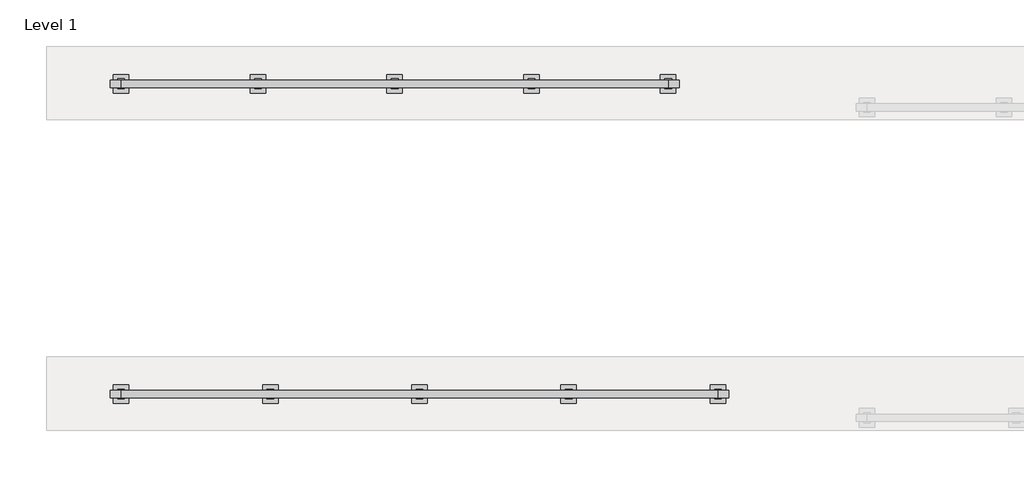
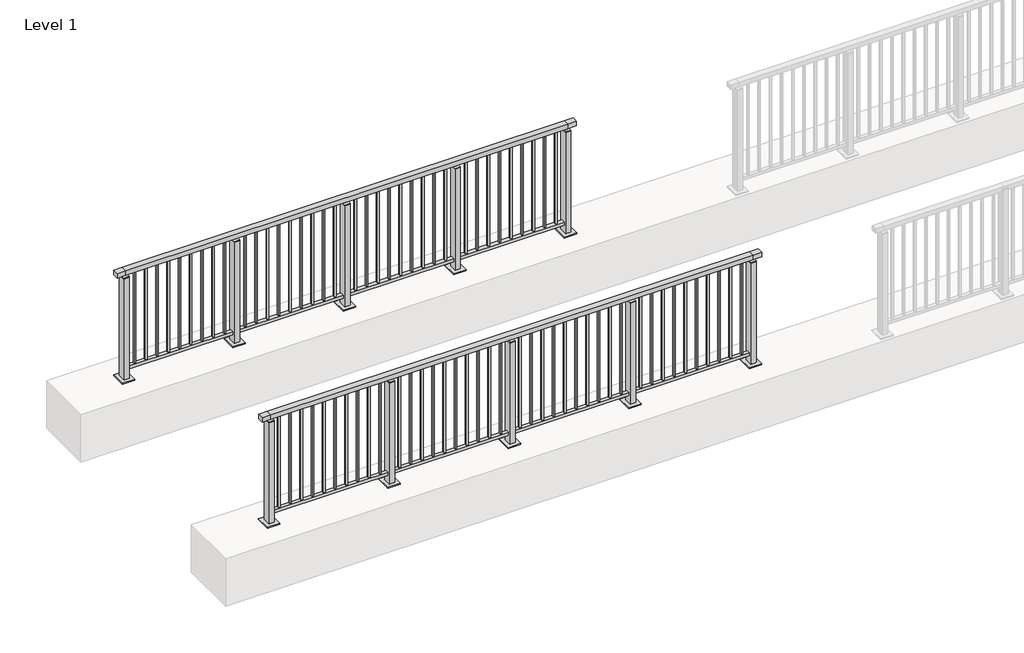
# One storey, part 11 of 38: 2 railings.
"""IFC4 building model written with IfcOpenShell, lengths in millimetres."""

from ifc_helpers import new_model, si_unit, frame, origin, origin_with_axes, place, context, project, spatial, polyline, outline, extrude, faceted_brep, element, save

model = new_model("IFC4")

# Units and contexts
model_context = context("Model", 3, world=origin())
ifc_project = project(units=[si_unit("LENGTHUNIT", "METRE", prefix="MILLI")], contexts=[model_context])

# Site, building, storey
site = spatial("IfcSite", under=ifc_project)
building = spatial("IfcBuilding", under=site)
storey = spatial("IfcBuildingStorey", under=building, Name="Level 1", Elevation=0.0)

# Railings
placement = place(None, origin())
element("IfcRailing", 1, at=placement, inside=storey, context=model_context, shape_type="SolidModel", body=[
    faceted_brep([(0.0, 17720.1846828, 1102.5), (0.0, 17720.1846828, 1150.0), (4800.0, 17720.1846828, 1150.0), (4800.0, 17720.1846828, 1102.5), (0.0, 17660.1846828, 1102.5), (4800.0, 17660.1846828, 1102.5), (0.0, 17660.1846828, 1150.0), (4800.0, 17660.1846828, 1150.0), (-87.5, 17720.1846828, 1150.0), (-87.5, 17720.1846828, 1102.5), (-87.5, 17660.1846828, 1102.5), (-87.5, 17660.1846828, 1150.0), (4887.5, 17720.1846828, 1150.0), (4887.5, 17660.1846828, 1150.0), (4887.5, 17660.1846828, 1102.5), (4887.5, 17720.1846828, 1102.5)], [[[0, 1, 2, 3]], [[4, 0, 3, 5]], [[6, 4, 5, 7]], [[1, 6, 7, 2]], [[8, 9, 10, 11]], [[9, 8, 1, 0]], [[10, 9, 0, 4]], [[11, 10, 4, 6]], [[8, 11, 6, 1]], [[12, 13, 14, 15]], [[3, 2, 12, 15]], [[5, 3, 15, 14]], [[7, 5, 14, 13]], [[2, 7, 13, 12]]]),
    extrude(outline(polyline([(0.0, 17672.1846828), (0.0, 17708.1846828), (4800.0, 17708.1846828), (4800.0, 17672.1846828), (0.0, 17672.1846828)])), frame((0.0, 0.0, 93.0), z_axis=(0.0, 0.0, 1.0), x_axis=(1.0, 0.0, 0.0)), (0.0, 0.0, 1.0), 32.0),
    extrude(outline(polyline([(4712.5, 17698.6846828), (4712.5, 17681.6846828), (4695.5, 17681.6846828), (4695.5, 17698.6846828), (4712.5, 17698.6846828)])), frame((0.0, 0.0, 125.0), z_axis=(0.0, 0.0, 1.0), x_axis=(1.0, 0.0, 0.0)), (0.0, 0.0, 1.0), 980.0),
    extrude(outline(polyline([(4600.5, 17698.6846828), (4600.5, 17681.6846828), (4583.5, 17681.6846828), (4583.5, 17698.6846828), (4600.5, 17698.6846828)])), frame((0.0, 0.0, 125.0), z_axis=(0.0, 0.0, 1.0), x_axis=(1.0, 0.0, 0.0)), (0.0, 0.0, 1.0), 980.0),
    extrude(outline(polyline([(4488.5, 17698.6846828), (4488.5, 17681.6846828), (4471.5, 17681.6846828), (4471.5, 17698.6846828), (4488.5, 17698.6846828)])), frame((0.0, 0.0, 125.0), z_axis=(0.0, 0.0, 1.0), x_axis=(1.0, 0.0, 0.0)), (0.0, 0.0, 1.0), 980.0),
    extrude(outline(polyline([(4376.5, 17698.6846828), (4376.5, 17681.6846828), (4359.5, 17681.6846828), (4359.5, 17698.6846828), (4376.5, 17698.6846828)])), frame((0.0, 0.0, 125.0), z_axis=(0.0, 0.0, 1.0), x_axis=(1.0, 0.0, 0.0)), (0.0, 0.0, 1.0), 980.0),
    extrude(outline(polyline([(4264.5, 17698.6846828), (4264.5, 17681.6846828), (4247.5, 17681.6846828), (4247.5, 17698.6846828), (4264.5, 17698.6846828)])), frame((0.0, 0.0, 125.0), z_axis=(0.0, 0.0, 1.0), x_axis=(1.0, 0.0, 0.0)), (0.0, 0.0, 1.0), 980.0),
    extrude(outline(polyline([(4152.5, 17698.6846828), (4152.5, 17681.6846828), (4135.5, 17681.6846828), (4135.5, 17698.6846828), (4152.5, 17698.6846828)])), frame((0.0, 0.0, 125.0), z_axis=(0.0, 0.0, 1.0), x_axis=(1.0, 0.0, 0.0)), (0.0, 0.0, 1.0), 980.0),
    extrude(outline(polyline([(4040.5, 17698.6846828), (4040.5, 17681.6846828), (4023.5, 17681.6846828), (4023.5, 17698.6846828), (4040.5, 17698.6846828)])), frame((0.0, 0.0, 125.0), z_axis=(0.0, 0.0, 1.0), x_axis=(1.0, 0.0, 0.0)), (0.0, 0.0, 1.0), 980.0),
    extrude(outline(polyline([(3928.5, 17698.6846828), (3928.5, 17681.6846828), (3911.5, 17681.6846828), (3911.5, 17698.6846828), (3928.5, 17698.6846828)])), frame((0.0, 0.0, 125.0), z_axis=(0.0, 0.0, 1.0), x_axis=(1.0, 0.0, 0.0)), (0.0, 0.0, 1.0), 980.0),
    extrude(outline(polyline([(3816.5, 17698.6846828), (3816.5, 17681.6846828), (3799.5, 17681.6846828), (3799.5, 17698.6846828), (3816.5, 17698.6846828)])), frame((0.0, 0.0, 125.0), z_axis=(0.0, 0.0, 1.0), x_axis=(1.0, 0.0, 0.0)), (0.0, 0.0, 1.0), 980.0),
    extrude(outline(polyline([(3704.5, 17698.6846828), (3704.5, 17681.6846828), (3687.5, 17681.6846828), (3687.5, 17698.6846828), (3704.5, 17698.6846828)])), frame((0.0, 0.0, 125.0), z_axis=(0.0, 0.0, 1.0), x_axis=(1.0, 0.0, 0.0)), (0.0, 0.0, 1.0), 980.0),
    extrude(outline(polyline([(3610.0, 17680.1846828), (3590.0, 17680.1846828), (3590.0, 17700.1846828), (3610.0, 17700.1846828), (3610.0, 17680.1846828)])), frame((0.0, 0.0, 1085.0), z_axis=(0.0, 0.0, 1.0), x_axis=(1.0, 0.0, 0.0)), (0.0, 0.0, 1.0), 20.0),
    extrude(outline(polyline([(3627.0, 17651.1846828), (3573.0, 17651.1846828), (3573.0, 17729.1846828), (3627.0, 17729.1846828), (3627.0, 17651.1846828)])), frame((0.0, 0.0, 1077.0), z_axis=(0.0, 0.0, 1.0), x_axis=(1.0, 0.0, 0.0)), (0.0, 0.0, 1.0), 8.0),
    extrude(outline(polyline([(3662.5, 17615.1846828), (3537.5, 17615.1846828), (3537.5, 17765.1846828), (3662.5, 17765.1846828), (3662.5, 17615.1846828)])), origin_with_axes(), (0.0, 0.0, 1.0), 12.0),
    extrude(outline(polyline([(3627.0, 17651.1846828), (3573.0, 17651.1846828), (3573.0, 17729.1846828), (3627.0, 17729.1846828), (3627.0, 17651.1846828)])), frame((0.0, 0.0, 12.0), z_axis=(0.0, 0.0, 1.0), x_axis=(1.0, 0.0, 0.0)), (0.0, 0.0, 1.0), 1065.0),
    extrude(outline(polyline([(3512.5, 17698.6846828), (3512.5, 17681.6846828), (3495.5, 17681.6846828), (3495.5, 17698.6846828), (3512.5, 17698.6846828)])), frame((0.0, 0.0, 125.0), z_axis=(0.0, 0.0, 1.0), x_axis=(1.0, 0.0, 0.0)), (0.0, 0.0, 1.0), 980.0),
    extrude(outline(polyline([(3400.5, 17698.6846828), (3400.5, 17681.6846828), (3383.5, 17681.6846828), (3383.5, 17698.6846828), (3400.5, 17698.6846828)])), frame((0.0, 0.0, 125.0), z_axis=(0.0, 0.0, 1.0), x_axis=(1.0, 0.0, 0.0)), (0.0, 0.0, 1.0), 980.0),
    extrude(outline(polyline([(3288.5, 17698.6846828), (3288.5, 17681.6846828), (3271.5, 17681.6846828), (3271.5, 17698.6846828), (3288.5, 17698.6846828)])), frame((0.0, 0.0, 125.0), z_axis=(0.0, 0.0, 1.0), x_axis=(1.0, 0.0, 0.0)), (0.0, 0.0, 1.0), 980.0),
    extrude(outline(polyline([(3176.5, 17698.6846828), (3176.5, 17681.6846828), (3159.5, 17681.6846828), (3159.5, 17698.6846828), (3176.5, 17698.6846828)])), frame((0.0, 0.0, 125.0), z_axis=(0.0, 0.0, 1.0), x_axis=(1.0, 0.0, 0.0)), (0.0, 0.0, 1.0), 980.0),
    extrude(outline(polyline([(3064.5, 17698.6846828), (3064.5, 17681.6846828), (3047.5, 17681.6846828), (3047.5, 17698.6846828), (3064.5, 17698.6846828)])), frame((0.0, 0.0, 125.0), z_axis=(0.0, 0.0, 1.0), x_axis=(1.0, 0.0, 0.0)), (0.0, 0.0, 1.0), 980.0),
    extrude(outline(polyline([(2952.5, 17698.6846828), (2952.5, 17681.6846828), (2935.5, 17681.6846828), (2935.5, 17698.6846828), (2952.5, 17698.6846828)])), frame((0.0, 0.0, 125.0), z_axis=(0.0, 0.0, 1.0), x_axis=(1.0, 0.0, 0.0)), (0.0, 0.0, 1.0), 980.0),
    extrude(outline(polyline([(2840.5, 17698.6846828), (2840.5, 17681.6846828), (2823.5, 17681.6846828), (2823.5, 17698.6846828), (2840.5, 17698.6846828)])), frame((0.0, 0.0, 125.0), z_axis=(0.0, 0.0, 1.0), x_axis=(1.0, 0.0, 0.0)), (0.0, 0.0, 1.0), 980.0),
    extrude(outline(polyline([(2728.5, 17698.6846828), (2728.5, 17681.6846828), (2711.5, 17681.6846828), (2711.5, 17698.6846828), (2728.5, 17698.6846828)])), frame((0.0, 0.0, 125.0), z_axis=(0.0, 0.0, 1.0), x_axis=(1.0, 0.0, 0.0)), (0.0, 0.0, 1.0), 980.0),
    extrude(outline(polyline([(2616.5, 17698.6846828), (2616.5, 17681.6846828), (2599.5, 17681.6846828), (2599.5, 17698.6846828), (2616.5, 17698.6846828)])), frame((0.0, 0.0, 125.0), z_axis=(0.0, 0.0, 1.0), x_axis=(1.0, 0.0, 0.0)), (0.0, 0.0, 1.0), 980.0),
    extrude(outline(polyline([(2504.5, 17698.6846828), (2504.5, 17681.6846828), (2487.5, 17681.6846828), (2487.5, 17698.6846828), (2504.5, 17698.6846828)])), frame((0.0, 0.0, 125.0), z_axis=(0.0, 0.0, 1.0), x_axis=(1.0, 0.0, 0.0)), (0.0, 0.0, 1.0), 980.0),
    extrude(outline(polyline([(2410.0, 17680.1846828), (2390.0, 17680.1846828), (2390.0, 17700.1846828), (2410.0, 17700.1846828), (2410.0, 17680.1846828)])), frame((0.0, 0.0, 1085.0), z_axis=(0.0, 0.0, 1.0), x_axis=(1.0, 0.0, 0.0)), (0.0, 0.0, 1.0), 20.0),
    extrude(outline(polyline([(2427.0, 17651.1846828), (2373.0, 17651.1846828), (2373.0, 17729.1846828), (2427.0, 17729.1846828), (2427.0, 17651.1846828)])), frame((0.0, 0.0, 1077.0), z_axis=(0.0, 0.0, 1.0), x_axis=(1.0, 0.0, 0.0)), (0.0, 0.0, 1.0), 8.0),
    extrude(outline(polyline([(2462.5, 17615.1846828), (2337.5, 17615.1846828), (2337.5, 17765.1846828), (2462.5, 17765.1846828), (2462.5, 17615.1846828)])), origin_with_axes(), (0.0, 0.0, 1.0), 12.0),
    extrude(outline(polyline([(2427.0, 17651.1846828), (2373.0, 17651.1846828), (2373.0, 17729.1846828), (2427.0, 17729.1846828), (2427.0, 17651.1846828)])), frame((0.0, 0.0, 12.0), z_axis=(0.0, 0.0, 1.0), x_axis=(1.0, 0.0, 0.0)), (0.0, 0.0, 1.0), 1065.0),
    extrude(outline(polyline([(2312.5, 17698.6846828), (2312.5, 17681.6846828), (2295.5, 17681.6846828), (2295.5, 17698.6846828), (2312.5, 17698.6846828)])), frame((0.0, 0.0, 125.0), z_axis=(0.0, 0.0, 1.0), x_axis=(1.0, 0.0, 0.0)), (0.0, 0.0, 1.0), 980.0),
    extrude(outline(polyline([(2200.5, 17698.6846828), (2200.5, 17681.6846828), (2183.5, 17681.6846828), (2183.5, 17698.6846828), (2200.5, 17698.6846828)])), frame((0.0, 0.0, 125.0), z_axis=(0.0, 0.0, 1.0), x_axis=(1.0, 0.0, 0.0)), (0.0, 0.0, 1.0), 980.0),
    extrude(outline(polyline([(2088.5, 17698.6846828), (2088.5, 17681.6846828), (2071.5, 17681.6846828), (2071.5, 17698.6846828), (2088.5, 17698.6846828)])), frame((0.0, 0.0, 125.0), z_axis=(0.0, 0.0, 1.0), x_axis=(1.0, 0.0, 0.0)), (0.0, 0.0, 1.0), 980.0),
    extrude(outline(polyline([(1976.5, 17698.6846828), (1976.5, 17681.6846828), (1959.5, 17681.6846828), (1959.5, 17698.6846828), (1976.5, 17698.6846828)])), frame((0.0, 0.0, 125.0), z_axis=(0.0, 0.0, 1.0), x_axis=(1.0, 0.0, 0.0)), (0.0, 0.0, 1.0), 980.0),
    extrude(outline(polyline([(1864.5, 17698.6846828), (1864.5, 17681.6846828), (1847.5, 17681.6846828), (1847.5, 17698.6846828), (1864.5, 17698.6846828)])), frame((0.0, 0.0, 125.0), z_axis=(0.0, 0.0, 1.0), x_axis=(1.0, 0.0, 0.0)), (0.0, 0.0, 1.0), 980.0),
    extrude(outline(polyline([(1752.5, 17698.6846828), (1752.5, 17681.6846828), (1735.5, 17681.6846828), (1735.5, 17698.6846828), (1752.5, 17698.6846828)])), frame((0.0, 0.0, 125.0), z_axis=(0.0, 0.0, 1.0), x_axis=(1.0, 0.0, 0.0)), (0.0, 0.0, 1.0), 980.0),
    extrude(outline(polyline([(1640.5, 17698.6846828), (1640.5, 17681.6846828), (1623.5, 17681.6846828), (1623.5, 17698.6846828), (1640.5, 17698.6846828)])), frame((0.0, 0.0, 125.0), z_axis=(0.0, 0.0, 1.0), x_axis=(1.0, 0.0, 0.0)), (0.0, 0.0, 1.0), 980.0),
    extrude(outline(polyline([(1528.5, 17698.6846828), (1528.5, 17681.6846828), (1511.5, 17681.6846828), (1511.5, 17698.6846828), (1528.5, 17698.6846828)])), frame((0.0, 0.0, 125.0), z_axis=(0.0, 0.0, 1.0), x_axis=(1.0, 0.0, 0.0)), (0.0, 0.0, 1.0), 980.0),
    extrude(outline(polyline([(1416.5, 17698.6846828), (1416.5, 17681.6846828), (1399.5, 17681.6846828), (1399.5, 17698.6846828), (1416.5, 17698.6846828)])), frame((0.0, 0.0, 125.0), z_axis=(0.0, 0.0, 1.0), x_axis=(1.0, 0.0, 0.0)), (0.0, 0.0, 1.0), 980.0),
    extrude(outline(polyline([(1304.5, 17698.6846828), (1304.5, 17681.6846828), (1287.5, 17681.6846828), (1287.5, 17698.6846828), (1304.5, 17698.6846828)])), frame((0.0, 0.0, 125.0), z_axis=(0.0, 0.0, 1.0), x_axis=(1.0, 0.0, 0.0)), (0.0, 0.0, 1.0), 980.0),
    extrude(outline(polyline([(1210.0, 17680.1846828), (1190.0, 17680.1846828), (1190.0, 17700.1846828), (1210.0, 17700.1846828), (1210.0, 17680.1846828)])), frame((0.0, 0.0, 1085.0), z_axis=(0.0, 0.0, 1.0), x_axis=(1.0, 0.0, 0.0)), (0.0, 0.0, 1.0), 20.0),
    extrude(outline(polyline([(1227.0, 17651.1846828), (1173.0, 17651.1846828), (1173.0, 17729.1846828), (1227.0, 17729.1846828), (1227.0, 17651.1846828)])), frame((0.0, 0.0, 1077.0), z_axis=(0.0, 0.0, 1.0), x_axis=(1.0, 0.0, 0.0)), (0.0, 0.0, 1.0), 8.0),
    extrude(outline(polyline([(1262.5, 17615.1846828), (1137.5, 17615.1846828), (1137.5, 17765.1846828), (1262.5, 17765.1846828), (1262.5, 17615.1846828)])), origin_with_axes(), (0.0, 0.0, 1.0), 12.0),
    extrude(outline(polyline([(1227.0, 17651.1846828), (1173.0, 17651.1846828), (1173.0, 17729.1846828), (1227.0, 17729.1846828), (1227.0, 17651.1846828)])), frame((0.0, 0.0, 12.0), z_axis=(0.0, 0.0, 1.0), x_axis=(1.0, 0.0, 0.0)), (0.0, 0.0, 1.0), 1065.0),
    extrude(outline(polyline([(1112.5, 17698.6846828), (1112.5, 17681.6846828), (1095.5, 17681.6846828), (1095.5, 17698.6846828), (1112.5, 17698.6846828)])), frame((0.0, 0.0, 125.0), z_axis=(0.0, 0.0, 1.0), x_axis=(1.0, 0.0, 0.0)), (0.0, 0.0, 1.0), 980.0),
    extrude(outline(polyline([(1000.5, 17698.6846828), (1000.5, 17681.6846828), (983.5, 17681.6846828), (983.5, 17698.6846828), (1000.5, 17698.6846828)])), frame((0.0, 0.0, 125.0), z_axis=(0.0, 0.0, 1.0), x_axis=(1.0, 0.0, 0.0)), (0.0, 0.0, 1.0), 980.0),
    extrude(outline(polyline([(888.5, 17698.6846828), (888.5, 17681.6846828), (871.5, 17681.6846828), (871.5, 17698.6846828), (888.5, 17698.6846828)])), frame((0.0, 0.0, 125.0), z_axis=(0.0, 0.0, 1.0), x_axis=(1.0, 0.0, 0.0)), (0.0, 0.0, 1.0), 980.0),
    extrude(outline(polyline([(776.5, 17698.6846828), (776.5, 17681.6846828), (759.5, 17681.6846828), (759.5, 17698.6846828), (776.5, 17698.6846828)])), frame((0.0, 0.0, 125.0), z_axis=(0.0, 0.0, 1.0), x_axis=(1.0, 0.0, 0.0)), (0.0, 0.0, 1.0), 980.0),
    extrude(outline(polyline([(664.5, 17698.6846828), (664.5, 17681.6846828), (647.5, 17681.6846828), (647.5, 17698.6846828), (664.5, 17698.6846828)])), frame((0.0, 0.0, 125.0), z_axis=(0.0, 0.0, 1.0), x_axis=(1.0, 0.0, 0.0)), (0.0, 0.0, 1.0), 980.0),
    extrude(outline(polyline([(552.5, 17698.6846828), (552.5, 17681.6846828), (535.5, 17681.6846828), (535.5, 17698.6846828), (552.5, 17698.6846828)])), frame((0.0, 0.0, 125.0), z_axis=(0.0, 0.0, 1.0), x_axis=(1.0, 0.0, 0.0)), (0.0, 0.0, 1.0), 980.0),
    extrude(outline(polyline([(440.5, 17698.6846828), (440.5, 17681.6846828), (423.5, 17681.6846828), (423.5, 17698.6846828), (440.5, 17698.6846828)])), frame((0.0, 0.0, 125.0), z_axis=(0.0, 0.0, 1.0), x_axis=(1.0, 0.0, 0.0)), (0.0, 0.0, 1.0), 980.0),
    extrude(outline(polyline([(328.5, 17698.6846828), (328.5, 17681.6846828), (311.5, 17681.6846828), (311.5, 17698.6846828), (328.5, 17698.6846828)])), frame((0.0, 0.0, 125.0), z_axis=(0.0, 0.0, 1.0), x_axis=(1.0, 0.0, 0.0)), (0.0, 0.0, 1.0), 980.0),
    extrude(outline(polyline([(216.5, 17698.6846828), (216.5, 17681.6846828), (199.5, 17681.6846828), (199.5, 17698.6846828), (216.5, 17698.6846828)])), frame((0.0, 0.0, 125.0), z_axis=(0.0, 0.0, 1.0), x_axis=(1.0, 0.0, 0.0)), (0.0, 0.0, 1.0), 980.0),
    extrude(outline(polyline([(104.5, 17698.6846828), (104.5, 17681.6846828), (87.5, 17681.6846828), (87.5, 17698.6846828), (104.5, 17698.6846828)])), frame((0.0, 0.0, 125.0), z_axis=(0.0, 0.0, 1.0), x_axis=(1.0, 0.0, 0.0)), (0.0, 0.0, 1.0), 980.0),
    extrude(outline(polyline([(4810.0, 17680.1846828), (4790.0, 17680.1846828), (4790.0, 17700.1846828), (4810.0, 17700.1846828), (4810.0, 17680.1846828)])), frame((0.0, 0.0, 1085.0), z_axis=(0.0, 0.0, 1.0), x_axis=(1.0, 0.0, 0.0)), (0.0, 0.0, 1.0), 20.0),
    extrude(outline(polyline([(4827.0, 17651.1846828), (4773.0, 17651.1846828), (4773.0, 17729.1846828), (4827.0, 17729.1846828), (4827.0, 17651.1846828)])), frame((0.0, 0.0, 1077.0), z_axis=(0.0, 0.0, 1.0), x_axis=(1.0, 0.0, 0.0)), (0.0, 0.0, 1.0), 8.0),
    extrude(outline(polyline([(4862.5, 17615.1846828), (4737.5, 17615.1846828), (4737.5, 17765.1846828), (4862.5, 17765.1846828), (4862.5, 17615.1846828)])), origin_with_axes(), (0.0, 0.0, 1.0), 12.0),
    extrude(outline(polyline([(4827.0, 17651.1846828), (4773.0, 17651.1846828), (4773.0, 17729.1846828), (4827.0, 17729.1846828), (4827.0, 17651.1846828)])), frame((0.0, 0.0, 12.0), z_axis=(0.0, 0.0, 1.0), x_axis=(1.0, 0.0, 0.0)), (0.0, 0.0, 1.0), 1065.0),
    extrude(outline(polyline([(10.0, 17680.1846828), (-10.0, 17680.1846828), (-10.0, 17700.1846828), (10.0, 17700.1846828), (10.0, 17680.1846828)])), frame((0.0, 0.0, 1085.0), z_axis=(0.0, 0.0, 1.0), x_axis=(1.0, 0.0, 0.0)), (0.0, 0.0, 1.0), 20.0),
    extrude(outline(polyline([(27.0, 17651.1846828), (-27.0, 17651.1846828), (-27.0, 17729.1846828), (27.0, 17729.1846828), (27.0, 17651.1846828)])), frame((0.0, 0.0, 1077.0), z_axis=(0.0, 0.0, 1.0), x_axis=(1.0, 0.0, 0.0)), (0.0, 0.0, 1.0), 8.0),
    extrude(outline(polyline([(62.5, 17615.1846828), (-62.5, 17615.1846828), (-62.5, 17765.1846828), (62.5, 17765.1846828), (62.5, 17615.1846828)])), origin_with_axes(), (0.0, 0.0, 1.0), 12.0),
    extrude(outline(polyline([(27.0, 17651.1846828), (-27.0, 17651.1846828), (-27.0, 17729.1846828), (27.0, 17729.1846828), (27.0, 17651.1846828)])), frame((0.0, 0.0, 12.0), z_axis=(0.0, 0.0, 1.0), x_axis=(1.0, 0.0, 0.0)), (0.0, 0.0, 1.0), 1065.0),
])
element("IfcRailing", 2, at=placement, inside=storey, context=model_context, shape_type="SolidModel", body=[
    faceted_brep([(0.0, 20220.1846828, 1102.5), (0.0, 20220.1846828, 1150.0), (4400.0, 20220.1846828, 1150.0), (4400.0, 20220.1846828, 1102.5), (0.0, 20160.1846828, 1102.5), (4400.0, 20160.1846828, 1102.5), (0.0, 20160.1846828, 1150.0), (4400.0, 20160.1846828, 1150.0), (-87.5, 20220.1846828, 1150.0), (-87.5, 20220.1846828, 1102.5), (-87.5, 20160.1846828, 1102.5), (-87.5, 20160.1846828, 1150.0), (4487.5, 20220.1846828, 1150.0), (4487.5, 20160.1846828, 1150.0), (4487.5, 20160.1846828, 1102.5), (4487.5, 20220.1846828, 1102.5)], [[[0, 1, 2, 3]], [[4, 0, 3, 5]], [[6, 4, 5, 7]], [[1, 6, 7, 2]], [[8, 9, 10, 11]], [[9, 8, 1, 0]], [[10, 9, 0, 4]], [[11, 10, 4, 6]], [[8, 11, 6, 1]], [[12, 13, 14, 15]], [[3, 2, 12, 15]], [[5, 3, 15, 14]], [[7, 5, 14, 13]], [[2, 7, 13, 12]]]),
    extrude(outline(polyline([(0.0, 20172.1846828), (0.0, 20208.1846828), (4400.0, 20208.1846828), (4400.0, 20172.1846828), (0.0, 20172.1846828)])), frame((0.0, 0.0, 93.0), z_axis=(0.0, 0.0, 1.0), x_axis=(1.0, 0.0, 0.0)), (0.0, 0.0, 1.0), 32.0),
    extrude(outline(polyline([(4306.5, 20198.6846828), (4306.5, 20181.6846828), (4289.5, 20181.6846828), (4289.5, 20198.6846828), (4306.5, 20198.6846828)])), frame((0.0, 0.0, 125.0), z_axis=(0.0, 0.0, 1.0), x_axis=(1.0, 0.0, 0.0)), (0.0, 0.0, 1.0), 980.0),
    extrude(outline(polyline([(4194.5, 20198.6846828), (4194.5, 20181.6846828), (4177.5, 20181.6846828), (4177.5, 20198.6846828), (4194.5, 20198.6846828)])), frame((0.0, 0.0, 125.0), z_axis=(0.0, 0.0, 1.0), x_axis=(1.0, 0.0, 0.0)), (0.0, 0.0, 1.0), 980.0),
    extrude(outline(polyline([(4082.5, 20198.6846828), (4082.5, 20181.6846828), (4065.5, 20181.6846828), (4065.5, 20198.6846828), (4082.5, 20198.6846828)])), frame((0.0, 0.0, 125.0), z_axis=(0.0, 0.0, 1.0), x_axis=(1.0, 0.0, 0.0)), (0.0, 0.0, 1.0), 980.0),
    extrude(outline(polyline([(3970.5, 20198.6846828), (3970.5, 20181.6846828), (3953.5, 20181.6846828), (3953.5, 20198.6846828), (3970.5, 20198.6846828)])), frame((0.0, 0.0, 125.0), z_axis=(0.0, 0.0, 1.0), x_axis=(1.0, 0.0, 0.0)), (0.0, 0.0, 1.0), 980.0),
    extrude(outline(polyline([(3858.5, 20198.6846828), (3858.5, 20181.6846828), (3841.5, 20181.6846828), (3841.5, 20198.6846828), (3858.5, 20198.6846828)])), frame((0.0, 0.0, 125.0), z_axis=(0.0, 0.0, 1.0), x_axis=(1.0, 0.0, 0.0)), (0.0, 0.0, 1.0), 980.0),
    extrude(outline(polyline([(3746.5, 20198.6846828), (3746.5, 20181.6846828), (3729.5, 20181.6846828), (3729.5, 20198.6846828), (3746.5, 20198.6846828)])), frame((0.0, 0.0, 125.0), z_axis=(0.0, 0.0, 1.0), x_axis=(1.0, 0.0, 0.0)), (0.0, 0.0, 1.0), 980.0),
    extrude(outline(polyline([(3634.5, 20198.6846828), (3634.5, 20181.6846828), (3617.5, 20181.6846828), (3617.5, 20198.6846828), (3634.5, 20198.6846828)])), frame((0.0, 0.0, 125.0), z_axis=(0.0, 0.0, 1.0), x_axis=(1.0, 0.0, 0.0)), (0.0, 0.0, 1.0), 980.0),
    extrude(outline(polyline([(3522.5, 20198.6846828), (3522.5, 20181.6846828), (3505.5, 20181.6846828), (3505.5, 20198.6846828), (3522.5, 20198.6846828)])), frame((0.0, 0.0, 125.0), z_axis=(0.0, 0.0, 1.0), x_axis=(1.0, 0.0, 0.0)), (0.0, 0.0, 1.0), 980.0),
    extrude(outline(polyline([(3410.5, 20198.6846828), (3410.5, 20181.6846828), (3393.5, 20181.6846828), (3393.5, 20198.6846828), (3410.5, 20198.6846828)])), frame((0.0, 0.0, 125.0), z_axis=(0.0, 0.0, 1.0), x_axis=(1.0, 0.0, 0.0)), (0.0, 0.0, 1.0), 980.0),
    extrude(outline(polyline([(3310.0, 20180.1846828), (3290.0, 20180.1846828), (3290.0, 20200.1846828), (3310.0, 20200.1846828), (3310.0, 20180.1846828)])), frame((0.0, 0.0, 1085.0), z_axis=(0.0, 0.0, 1.0), x_axis=(1.0, 0.0, 0.0)), (0.0, 0.0, 1.0), 20.0),
    extrude(outline(polyline([(3327.0, 20151.1846828), (3273.0, 20151.1846828), (3273.0, 20229.1846828), (3327.0, 20229.1846828), (3327.0, 20151.1846828)])), frame((0.0, 0.0, 1077.0), z_axis=(0.0, 0.0, 1.0), x_axis=(1.0, 0.0, 0.0)), (0.0, 0.0, 1.0), 8.0),
    extrude(outline(polyline([(3362.5, 20115.1846828), (3237.5, 20115.1846828), (3237.5, 20265.1846828), (3362.5, 20265.1846828), (3362.5, 20115.1846828)])), origin_with_axes(), (0.0, 0.0, 1.0), 12.0),
    extrude(outline(polyline([(3327.0, 20151.1846828), (3273.0, 20151.1846828), (3273.0, 20229.1846828), (3327.0, 20229.1846828), (3327.0, 20151.1846828)])), frame((0.0, 0.0, 12.0), z_axis=(0.0, 0.0, 1.0), x_axis=(1.0, 0.0, 0.0)), (0.0, 0.0, 1.0), 1065.0),
    extrude(outline(polyline([(3206.5, 20198.6846828), (3206.5, 20181.6846828), (3189.5, 20181.6846828), (3189.5, 20198.6846828), (3206.5, 20198.6846828)])), frame((0.0, 0.0, 125.0), z_axis=(0.0, 0.0, 1.0), x_axis=(1.0, 0.0, 0.0)), (0.0, 0.0, 1.0), 980.0),
    extrude(outline(polyline([(3094.5, 20198.6846828), (3094.5, 20181.6846828), (3077.5, 20181.6846828), (3077.5, 20198.6846828), (3094.5, 20198.6846828)])), frame((0.0, 0.0, 125.0), z_axis=(0.0, 0.0, 1.0), x_axis=(1.0, 0.0, 0.0)), (0.0, 0.0, 1.0), 980.0),
    extrude(outline(polyline([(2982.5, 20198.6846828), (2982.5, 20181.6846828), (2965.5, 20181.6846828), (2965.5, 20198.6846828), (2982.5, 20198.6846828)])), frame((0.0, 0.0, 125.0), z_axis=(0.0, 0.0, 1.0), x_axis=(1.0, 0.0, 0.0)), (0.0, 0.0, 1.0), 980.0),
    extrude(outline(polyline([(2870.5, 20198.6846828), (2870.5, 20181.6846828), (2853.5, 20181.6846828), (2853.5, 20198.6846828), (2870.5, 20198.6846828)])), frame((0.0, 0.0, 125.0), z_axis=(0.0, 0.0, 1.0), x_axis=(1.0, 0.0, 0.0)), (0.0, 0.0, 1.0), 980.0),
    extrude(outline(polyline([(2758.5, 20198.6846828), (2758.5, 20181.6846828), (2741.5, 20181.6846828), (2741.5, 20198.6846828), (2758.5, 20198.6846828)])), frame((0.0, 0.0, 125.0), z_axis=(0.0, 0.0, 1.0), x_axis=(1.0, 0.0, 0.0)), (0.0, 0.0, 1.0), 980.0),
    extrude(outline(polyline([(2646.5, 20198.6846828), (2646.5, 20181.6846828), (2629.5, 20181.6846828), (2629.5, 20198.6846828), (2646.5, 20198.6846828)])), frame((0.0, 0.0, 125.0), z_axis=(0.0, 0.0, 1.0), x_axis=(1.0, 0.0, 0.0)), (0.0, 0.0, 1.0), 980.0),
    extrude(outline(polyline([(2534.5, 20198.6846828), (2534.5, 20181.6846828), (2517.5, 20181.6846828), (2517.5, 20198.6846828), (2534.5, 20198.6846828)])), frame((0.0, 0.0, 125.0), z_axis=(0.0, 0.0, 1.0), x_axis=(1.0, 0.0, 0.0)), (0.0, 0.0, 1.0), 980.0),
    extrude(outline(polyline([(2422.5, 20198.6846828), (2422.5, 20181.6846828), (2405.5, 20181.6846828), (2405.5, 20198.6846828), (2422.5, 20198.6846828)])), frame((0.0, 0.0, 125.0), z_axis=(0.0, 0.0, 1.0), x_axis=(1.0, 0.0, 0.0)), (0.0, 0.0, 1.0), 980.0),
    extrude(outline(polyline([(2310.5, 20198.6846828), (2310.5, 20181.6846828), (2293.5, 20181.6846828), (2293.5, 20198.6846828), (2310.5, 20198.6846828)])), frame((0.0, 0.0, 125.0), z_axis=(0.0, 0.0, 1.0), x_axis=(1.0, 0.0, 0.0)), (0.0, 0.0, 1.0), 980.0),
    extrude(outline(polyline([(2210.0, 20180.1846828), (2190.0, 20180.1846828), (2190.0, 20200.1846828), (2210.0, 20200.1846828), (2210.0, 20180.1846828)])), frame((0.0, 0.0, 1085.0), z_axis=(0.0, 0.0, 1.0), x_axis=(1.0, 0.0, 0.0)), (0.0, 0.0, 1.0), 20.0),
    extrude(outline(polyline([(2227.0, 20151.1846828), (2173.0, 20151.1846828), (2173.0, 20229.1846828), (2227.0, 20229.1846828), (2227.0, 20151.1846828)])), frame((0.0, 0.0, 1077.0), z_axis=(0.0, 0.0, 1.0), x_axis=(1.0, 0.0, 0.0)), (0.0, 0.0, 1.0), 8.0),
    extrude(outline(polyline([(2262.5, 20115.1846828), (2137.5, 20115.1846828), (2137.5, 20265.1846828), (2262.5, 20265.1846828), (2262.5, 20115.1846828)])), origin_with_axes(), (0.0, 0.0, 1.0), 12.0),
    extrude(outline(polyline([(2227.0, 20151.1846828), (2173.0, 20151.1846828), (2173.0, 20229.1846828), (2227.0, 20229.1846828), (2227.0, 20151.1846828)])), frame((0.0, 0.0, 12.0), z_axis=(0.0, 0.0, 1.0), x_axis=(1.0, 0.0, 0.0)), (0.0, 0.0, 1.0), 1065.0),
    extrude(outline(polyline([(2106.5, 20198.6846828), (2106.5, 20181.6846828), (2089.5, 20181.6846828), (2089.5, 20198.6846828), (2106.5, 20198.6846828)])), frame((0.0, 0.0, 125.0), z_axis=(0.0, 0.0, 1.0), x_axis=(1.0, 0.0, 0.0)), (0.0, 0.0, 1.0), 980.0),
    extrude(outline(polyline([(1994.5, 20198.6846828), (1994.5, 20181.6846828), (1977.5, 20181.6846828), (1977.5, 20198.6846828), (1994.5, 20198.6846828)])), frame((0.0, 0.0, 125.0), z_axis=(0.0, 0.0, 1.0), x_axis=(1.0, 0.0, 0.0)), (0.0, 0.0, 1.0), 980.0),
    extrude(outline(polyline([(1882.5, 20198.6846828), (1882.5, 20181.6846828), (1865.5, 20181.6846828), (1865.5, 20198.6846828), (1882.5, 20198.6846828)])), frame((0.0, 0.0, 125.0), z_axis=(0.0, 0.0, 1.0), x_axis=(1.0, 0.0, 0.0)), (0.0, 0.0, 1.0), 980.0),
    extrude(outline(polyline([(1770.5, 20198.6846828), (1770.5, 20181.6846828), (1753.5, 20181.6846828), (1753.5, 20198.6846828), (1770.5, 20198.6846828)])), frame((0.0, 0.0, 125.0), z_axis=(0.0, 0.0, 1.0), x_axis=(1.0, 0.0, 0.0)), (0.0, 0.0, 1.0), 980.0),
    extrude(outline(polyline([(1658.5, 20198.6846828), (1658.5, 20181.6846828), (1641.5, 20181.6846828), (1641.5, 20198.6846828), (1658.5, 20198.6846828)])), frame((0.0, 0.0, 125.0), z_axis=(0.0, 0.0, 1.0), x_axis=(1.0, 0.0, 0.0)), (0.0, 0.0, 1.0), 980.0),
    extrude(outline(polyline([(1546.5, 20198.6846828), (1546.5, 20181.6846828), (1529.5, 20181.6846828), (1529.5, 20198.6846828), (1546.5, 20198.6846828)])), frame((0.0, 0.0, 125.0), z_axis=(0.0, 0.0, 1.0), x_axis=(1.0, 0.0, 0.0)), (0.0, 0.0, 1.0), 980.0),
    extrude(outline(polyline([(1434.5, 20198.6846828), (1434.5, 20181.6846828), (1417.5, 20181.6846828), (1417.5, 20198.6846828), (1434.5, 20198.6846828)])), frame((0.0, 0.0, 125.0), z_axis=(0.0, 0.0, 1.0), x_axis=(1.0, 0.0, 0.0)), (0.0, 0.0, 1.0), 980.0),
    extrude(outline(polyline([(1322.5, 20198.6846828), (1322.5, 20181.6846828), (1305.5, 20181.6846828), (1305.5, 20198.6846828), (1322.5, 20198.6846828)])), frame((0.0, 0.0, 125.0), z_axis=(0.0, 0.0, 1.0), x_axis=(1.0, 0.0, 0.0)), (0.0, 0.0, 1.0), 980.0),
    extrude(outline(polyline([(1210.5, 20198.6846828), (1210.5, 20181.6846828), (1193.5, 20181.6846828), (1193.5, 20198.6846828), (1210.5, 20198.6846828)])), frame((0.0, 0.0, 125.0), z_axis=(0.0, 0.0, 1.0), x_axis=(1.0, 0.0, 0.0)), (0.0, 0.0, 1.0), 980.0),
    extrude(outline(polyline([(1110.0, 20180.1846828), (1090.0, 20180.1846828), (1090.0, 20200.1846828), (1110.0, 20200.1846828), (1110.0, 20180.1846828)])), frame((0.0, 0.0, 1085.0), z_axis=(0.0, 0.0, 1.0), x_axis=(1.0, 0.0, 0.0)), (0.0, 0.0, 1.0), 20.0),
    extrude(outline(polyline([(1127.0, 20151.1846828), (1073.0, 20151.1846828), (1073.0, 20229.1846828), (1127.0, 20229.1846828), (1127.0, 20151.1846828)])), frame((0.0, 0.0, 1077.0), z_axis=(0.0, 0.0, 1.0), x_axis=(1.0, 0.0, 0.0)), (0.0, 0.0, 1.0), 8.0),
    extrude(outline(polyline([(1162.5, 20115.1846828), (1037.5, 20115.1846828), (1037.5, 20265.1846828), (1162.5, 20265.1846828), (1162.5, 20115.1846828)])), origin_with_axes(), (0.0, 0.0, 1.0), 12.0),
    extrude(outline(polyline([(1127.0, 20151.1846828), (1073.0, 20151.1846828), (1073.0, 20229.1846828), (1127.0, 20229.1846828), (1127.0, 20151.1846828)])), frame((0.0, 0.0, 12.0), z_axis=(0.0, 0.0, 1.0), x_axis=(1.0, 0.0, 0.0)), (0.0, 0.0, 1.0), 1065.0),
    extrude(outline(polyline([(1006.5, 20198.6846828), (1006.5, 20181.6846828), (989.5, 20181.6846828), (989.5, 20198.6846828), (1006.5, 20198.6846828)])), frame((0.0, 0.0, 125.0), z_axis=(0.0, 0.0, 1.0), x_axis=(1.0, 0.0, 0.0)), (0.0, 0.0, 1.0), 980.0),
    extrude(outline(polyline([(894.5, 20198.6846828), (894.5, 20181.6846828), (877.5, 20181.6846828), (877.5, 20198.6846828), (894.5, 20198.6846828)])), frame((0.0, 0.0, 125.0), z_axis=(0.0, 0.0, 1.0), x_axis=(1.0, 0.0, 0.0)), (0.0, 0.0, 1.0), 980.0),
    extrude(outline(polyline([(782.5, 20198.6846828), (782.5, 20181.6846828), (765.5, 20181.6846828), (765.5, 20198.6846828), (782.5, 20198.6846828)])), frame((0.0, 0.0, 125.0), z_axis=(0.0, 0.0, 1.0), x_axis=(1.0, 0.0, 0.0)), (0.0, 0.0, 1.0), 980.0),
    extrude(outline(polyline([(670.5, 20198.6846828), (670.5, 20181.6846828), (653.5, 20181.6846828), (653.5, 20198.6846828), (670.5, 20198.6846828)])), frame((0.0, 0.0, 125.0), z_axis=(0.0, 0.0, 1.0), x_axis=(1.0, 0.0, 0.0)), (0.0, 0.0, 1.0), 980.0),
    extrude(outline(polyline([(558.5, 20198.6846828), (558.5, 20181.6846828), (541.5, 20181.6846828), (541.5, 20198.6846828), (558.5, 20198.6846828)])), frame((0.0, 0.0, 125.0), z_axis=(0.0, 0.0, 1.0), x_axis=(1.0, 0.0, 0.0)), (0.0, 0.0, 1.0), 980.0),
    extrude(outline(polyline([(446.5, 20198.6846828), (446.5, 20181.6846828), (429.5, 20181.6846828), (429.5, 20198.6846828), (446.5, 20198.6846828)])), frame((0.0, 0.0, 125.0), z_axis=(0.0, 0.0, 1.0), x_axis=(1.0, 0.0, 0.0)), (0.0, 0.0, 1.0), 980.0),
    extrude(outline(polyline([(334.5, 20198.6846828), (334.5, 20181.6846828), (317.5, 20181.6846828), (317.5, 20198.6846828), (334.5, 20198.6846828)])), frame((0.0, 0.0, 125.0), z_axis=(0.0, 0.0, 1.0), x_axis=(1.0, 0.0, 0.0)), (0.0, 0.0, 1.0), 980.0),
    extrude(outline(polyline([(222.5, 20198.6846828), (222.5, 20181.6846828), (205.5, 20181.6846828), (205.5, 20198.6846828), (222.5, 20198.6846828)])), frame((0.0, 0.0, 125.0), z_axis=(0.0, 0.0, 1.0), x_axis=(1.0, 0.0, 0.0)), (0.0, 0.0, 1.0), 980.0),
    extrude(outline(polyline([(110.5, 20198.6846828), (110.5, 20181.6846828), (93.5, 20181.6846828), (93.5, 20198.6846828), (110.5, 20198.6846828)])), frame((0.0, 0.0, 125.0), z_axis=(0.0, 0.0, 1.0), x_axis=(1.0, 0.0, 0.0)), (0.0, 0.0, 1.0), 980.0),
    extrude(outline(polyline([(4410.0, 20180.1846828), (4390.0, 20180.1846828), (4390.0, 20200.1846828), (4410.0, 20200.1846828), (4410.0, 20180.1846828)])), frame((0.0, 0.0, 1085.0), z_axis=(0.0, 0.0, 1.0), x_axis=(1.0, 0.0, 0.0)), (0.0, 0.0, 1.0), 20.0),
    extrude(outline(polyline([(4427.0, 20151.1846828), (4373.0, 20151.1846828), (4373.0, 20229.1846828), (4427.0, 20229.1846828), (4427.0, 20151.1846828)])), frame((0.0, 0.0, 1077.0), z_axis=(0.0, 0.0, 1.0), x_axis=(1.0, 0.0, 0.0)), (0.0, 0.0, 1.0), 8.0),
    extrude(outline(polyline([(4462.5, 20115.1846828), (4337.5, 20115.1846828), (4337.5, 20265.1846828), (4462.5, 20265.1846828), (4462.5, 20115.1846828)])), origin_with_axes(), (0.0, 0.0, 1.0), 12.0),
    extrude(outline(polyline([(4427.0, 20151.1846828), (4373.0, 20151.1846828), (4373.0, 20229.1846828), (4427.0, 20229.1846828), (4427.0, 20151.1846828)])), frame((0.0, 0.0, 12.0), z_axis=(0.0, 0.0, 1.0), x_axis=(1.0, 0.0, 0.0)), (0.0, 0.0, 1.0), 1065.0),
    extrude(outline(polyline([(10.0, 20180.1846828), (-10.0, 20180.1846828), (-10.0, 20200.1846828), (10.0, 20200.1846828), (10.0, 20180.1846828)])), frame((0.0, 0.0, 1085.0), z_axis=(0.0, 0.0, 1.0), x_axis=(1.0, 0.0, 0.0)), (0.0, 0.0, 1.0), 20.0),
    extrude(outline(polyline([(27.0, 20151.1846828), (-27.0, 20151.1846828), (-27.0, 20229.1846828), (27.0, 20229.1846828), (27.0, 20151.1846828)])), frame((0.0, 0.0, 1077.0), z_axis=(0.0, 0.0, 1.0), x_axis=(1.0, 0.0, 0.0)), (0.0, 0.0, 1.0), 8.0),
    extrude(outline(polyline([(62.5, 20115.1846828), (-62.5, 20115.1846828), (-62.5, 20265.1846828), (62.5, 20265.1846828), (62.5, 20115.1846828)])), origin_with_axes(), (0.0, 0.0, 1.0), 12.0),
    extrude(outline(polyline([(27.0, 20151.1846828), (-27.0, 20151.1846828), (-27.0, 20229.1846828), (27.0, 20229.1846828), (27.0, 20151.1846828)])), frame((0.0, 0.0, 12.0), z_axis=(0.0, 0.0, 1.0), x_axis=(1.0, 0.0, 0.0)), (0.0, 0.0, 1.0), 1065.0),
])

save(model, "model.ifc")
